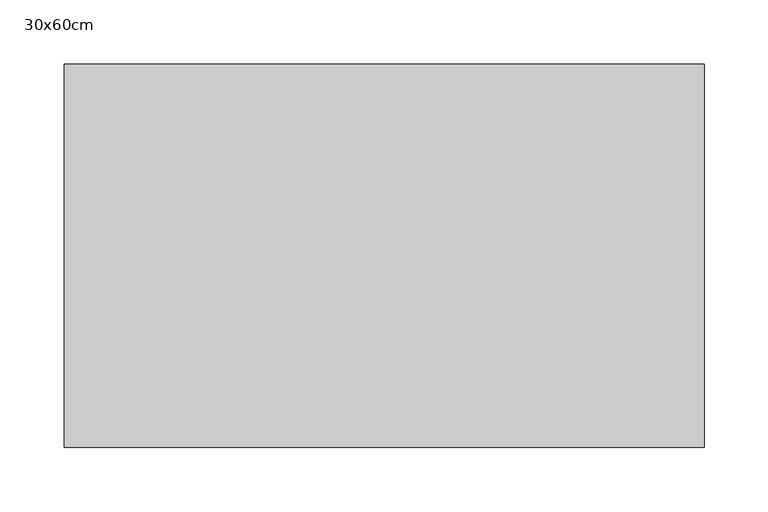
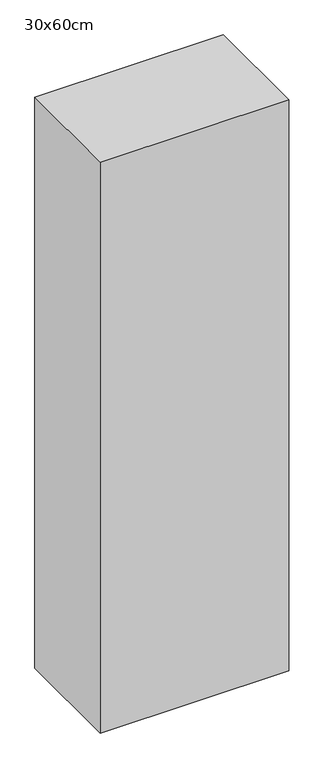
"""IFC4 building model written with IfcOpenShell, lengths in millimetres: proxy geometry, 30x60cm."""

from ifc_helpers import new_model, si_unit, frame, origin, place, context, project, spatial, polyline, outline, extrude, source, transform, mapped, element, save


def proxy_30x60cm_daea3472(model_context):
    return source(origin(), model_context, "Body", "SweptSolid", [
        extrude(outline(polyline([(500.0, 300.0), (500.0, 0.0), (0.0, 0.0), (0.0, 300.0), (500.0, 300.0)])), frame((0.0, 0.0, 1300.0), z_axis=(0.0, 0.0, 1.0), x_axis=(1.0, 0.0, 0.0)), (0.0, 0.0, 1.0), 1600.0),
    ])


if __name__ == "__main__":
    model = new_model("IFC4")
    model_context = context("Model", 3, world=origin())
    ifc_project = project(units=[si_unit("LENGTHUNIT", "METRE", prefix="MILLI")], contexts=[model_context])
    site = spatial("IfcSite", under=ifc_project)
    building = spatial("IfcBuilding", under=site)
    placement = place(None, origin())
    proxy_30x60cm_shape = proxy_30x60cm_daea3472(model_context)
    element("IfcBuildingElementProxy", 1, Name="30x60cm", ObjectType="30x60cm", at=placement, inside=building, context=model_context, shape_type="MappedRepresentation", body=[
        mapped(proxy_30x60cm_shape, transform((0.0, 0.0, 0.0), x_axis=(1.0, 0.0, 0.0), y_axis=(0.0, 1.0, 0.0), z_axis=(0.0, 0.0, 1.0))),
    ])
    save(model, "model.ifc")
